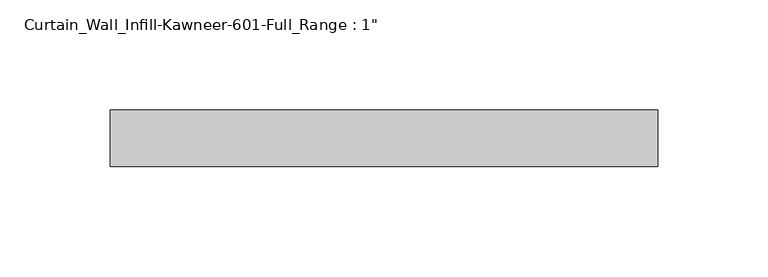
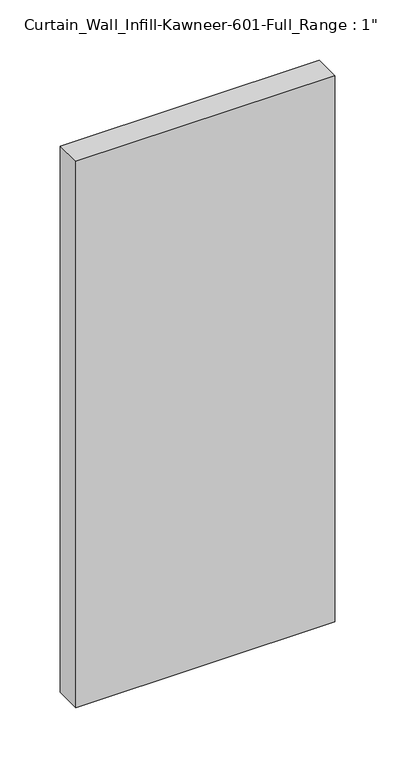
"""IFC4 building model written with IfcOpenShell, lengths in millimetres: plate geometry."""

import ifcopenshell
import ifcopenshell.guid

model = None  # the IFC model being written
_history = None  # IfcOwnerHistory: only IFC2X3 demands one
_inside = {}  # id of a spatial element -> (the spatial element, [elements in it])
_under = {}  # id of a project, library or spatial element -> (it, [spatial elements below it])
_declared = {}  # id of a project -> (the project, [libraries it declares])
_typed = {}  # id of a type object -> (the type object, [elements of that type])
_made_of = {}  # id of a material, layer set ... -> (it, [elements and type objects made of it])


def new_model(schema):
    """Start an empty IFC model of exactly this schema.

    Asked for "IFC4X3", IfcOpenShell would pick the latest addendum, in which some entities
    have other attributes; the version numbers below select the first issue.
    IFC2X3 requires an IfcOwnerHistory on every rooted entity: one is made here for all.
    """
    global model, _history
    if schema == "IFC4X3":
        model = ifcopenshell.file(schema_version=(4, 3, 0, 0))
    else:
        model = ifcopenshell.file(schema=schema)
    _inside.clear()
    _under.clear()
    _declared.clear()
    _typed.clear()
    _made_of.clear()
    _history = None
    if model.schema == "IFC2X3":
        org = make("IfcOrganization", Name="unknown")
        user = make(
            "IfcPersonAndOrganization",
            ThePerson=make("IfcPerson", FamilyName="unknown"),
            TheOrganization=org,
        )
        app = make(
            "IfcApplication",
            ApplicationDeveloper=org,
            Version="unknown",
            ApplicationFullName="unknown",
            ApplicationIdentifier="unknown",
        )
        _history = make(
            "IfcOwnerHistory",
            OwningUser=user,
            OwningApplication=app,
            ChangeAction="ADDED",
            CreationDate=0,
        )
    return model


def make(cls, **values):
    """One entity of the class cls with the attributes given. An attribute that is None is left unset."""
    return model.create_entity(
        cls, **{name: value for name, value in values.items() if value is not None}
    )


def rooted(cls, **values):
    """An entity with a GlobalId (a new one), such as an element, a storey or a relation."""
    return make(cls, GlobalId=ifcopenshell.guid.new(), OwnerHistory=_history, **values)


def si_unit(unit_type, name, prefix=None):
    """IfcSIUnit, for example si_unit("LENGTHUNIT", "METRE", prefix="MILLI")."""
    return make("IfcSIUnit", UnitType=unit_type, Prefix=prefix, Name=name)


def assignment(units):
    """IfcUnitAssignment: the units of a project."""
    return None if units is None else make("IfcUnitAssignment", Units=units)


def point(xyz):
    """IfcCartesianPoint."""
    return None if xyz is None else make("IfcCartesianPoint", Coordinates=xyz)


def direction(xyz):
    """IfcDirection."""
    return None if xyz is None else make("IfcDirection", DirectionRatios=xyz)


def frame(location, z_axis=None, x_axis=None):
    """IfcAxis2Placement3D, a coordinate frame: its origin and axes. An axis left out is left unset."""
    return make(
        "IfcAxis2Placement3D",
        Location=point(location),
        Axis=direction(z_axis),
        RefDirection=direction(x_axis),
    )


def origin():
    """The frame at (0, 0, 0) with its axes left unset."""
    return frame((0.0, 0.0, 0.0))


def origin_with_axes():
    """The frame at (0, 0, 0) with the z axis (0, 0, 1) and the x axis (1, 0, 0) written out."""
    return frame((0.0, 0.0, 0.0), z_axis=(0.0, 0.0, 1.0), x_axis=(1.0, 0.0, 0.0))


def place(relative_to, where):
    """IfcLocalPlacement: puts the frame where relative to a parent placement (None: the world)."""
    return make(
        "IfcLocalPlacement", PlacementRelTo=relative_to, RelativePlacement=where
    )


def context(
    kind, dimensions, precision=None, world=None, true_north=None, identifier=None
):
    """IfcGeometricRepresentationContext, for example the 3D "Model" context."""
    return make(
        "IfcGeometricRepresentationContext",
        ContextIdentifier=identifier,
        ContextType=kind,
        CoordinateSpaceDimension=dimensions,
        Precision=precision,
        WorldCoordinateSystem=world,
        TrueNorth=true_north,
    )


def project(units=None, contexts=None):
    """IfcProject with its units and contexts."""
    return rooted(
        "IfcProject",
        Name="project",
        RepresentationContexts=contexts,
        UnitsInContext=assignment(units),
    )


def spatial(cls, under=None, at=None, **own):
    """A site, building, storey or space (cls), placed at a placement, below another one or the project."""
    s = rooted(cls, ObjectPlacement=at, **own)
    if under is not None:
        _under.setdefault(under.id(), (under, []))[1].append(s)
    return s


def polyline(points):
    """IfcPolyline through the points."""
    return make("IfcPolyline", Points=[point(p) for p in points])


def outline(outer, holes=None, kind="AREA"):
    """IfcArbitraryClosedProfileDef: a profile drawn as a closed curve; with holes, ...WithVoids."""
    if holes is None:
        return make("IfcArbitraryClosedProfileDef", ProfileType=kind, OuterCurve=outer)
    return make(
        "IfcArbitraryProfileDefWithVoids",
        ProfileType=kind,
        OuterCurve=outer,
        InnerCurves=holes,
    )


def extrude(swept, where, along, depth):
    """IfcExtrudedAreaSolid: the profile swept, set in the frame where, extruded along a direction by depth."""
    return make(
        "IfcExtrudedAreaSolid",
        SweptArea=swept,
        Position=where,
        ExtrudedDirection=direction(along),
        Depth=depth,
    )


def shape(context_of_items, identifier, shape_type, items):
    """IfcShapeRepresentation: the items that make up one representation, for example the "Body"."""
    return make(
        "IfcShapeRepresentation",
        ContextOfItems=context_of_items,
        RepresentationIdentifier=identifier,
        RepresentationType=shape_type,
        Items=items,
    )


def source(mapping_origin, context_of_items, identifier, shape_type, items):
    """IfcRepresentationMap: a shape defined once, which mapped items show again and again."""
    return make(
        "IfcRepresentationMap",
        MappingOrigin=mapping_origin,
        MappedRepresentation=shape(context_of_items, identifier, shape_type, items),
    )


def transform(
    local_origin,
    x_axis=None,
    y_axis=None,
    z_axis=None,
    scale=None,
    scale2=None,
    scale3=None,
    uniform=True,
):
    """IfcCartesianTransformationOperator3D, or its non-uniform kind. x_axis, y_axis, z_axis: its Axis1, 2, 3."""
    if uniform:
        return make(
            "IfcCartesianTransformationOperator3D",
            Axis1=direction(x_axis),
            Axis2=direction(y_axis),
            LocalOrigin=point(local_origin),
            Scale=scale,
            Axis3=direction(z_axis),
        )
    return make(
        "IfcCartesianTransformationOperator3DnonUniform",
        Axis1=direction(x_axis),
        Axis2=direction(y_axis),
        LocalOrigin=point(local_origin),
        Scale=scale,
        Axis3=direction(z_axis),
        Scale2=scale2,
        Scale3=scale3,
    )


def mapped(mapping_source, mapping_target):
    """IfcMappedItem: shows the shape of a source again, moved by a transform."""
    return make(
        "IfcMappedItem", MappingSource=mapping_source, MappingTarget=mapping_target
    )


def made_of(thing, what):
    """Note that an element or type object is made of a material, layer set ...; save() writes the relation."""
    if what is not None:
        _made_of.setdefault(what.id(), (what, []))[1].append(thing)
    return thing


def element(
    cls,
    number,
    at=None,
    inside=None,
    cuts=None,
    type_object=None,
    material=None,
    context=None,
    identifier="Body",
    shape_type=None,
    held_by="IfcProductDefinitionShape",
    body=None,
    shapes=None,
    **own,
):
    """One element of the class cls, such as IfcWall. Its Tag is "e" and its number.

    at: its placement. inside: the storey or other place that contains it. cuts: it is an
    opening in that element (IfcRelVoidsElement). A single representation is given by context,
    identifier, shape_type and body (its items); several are given by shapes. held_by: the class
    of the entity that holds the representations. save() writes the other relations.
    """
    e = rooted(cls, Tag="e%d" % number, ObjectPlacement=at, **own)
    if body is not None:
        shapes = [shape(context, identifier, shape_type, body)]
    if shapes is not None:
        e.Representation = make(held_by, Representations=shapes)
    if inside is not None:
        _inside.setdefault(inside.id(), (inside, []))[1].append(e)
    if cuts is not None:
        rooted(
            "IfcRelVoidsElement", RelatingBuildingElement=cuts, RelatedOpeningElement=e
        )
    if type_object is not None:
        _typed.setdefault(type_object.id(), (type_object, []))[1].append(e)
    return made_of(e, material)


def aggregate(whole, parts):
    """IfcRelAggregates: a whole, such as a stair, and the parts it consists of."""
    return rooted("IfcRelAggregates", RelatingObject=whole, RelatedObjects=parts)


def save(model, path):
    """Write the relations noted so far, then the file.

    IfcRelAggregates (storeys below a building ...), IfcRelContainedInSpatialStructure (elements
    in a storey), IfcRelDefinesByType, IfcRelAssociatesMaterial and IfcRelDeclares: one each for
    every whole, place, type object, material and project.
    """
    for whole, parts in _under.values():
        aggregate(whole, parts)
    for where, things in _inside.values():
        rooted(
            "IfcRelContainedInSpatialStructure",
            RelatedElements=things,
            RelatingStructure=where,
        )
    for kind, things in _typed.values():
        rooted("IfcRelDefinesByType", RelatedObjects=things, RelatingType=kind)
    for what, things in _made_of.values():
        rooted("IfcRelAssociatesMaterial", RelatedObjects=things, RelatingMaterial=what)
    for by, libraries in _declared.values():
        rooted("IfcRelDeclares", RelatingContext=by, RelatedDefinitions=libraries)
    model.write(path)


def plate_fd4cc029(model_context):
    return source(origin(), model_context, "Body", "SweptSolid", [
        extrude(outline(polyline([(-123.825, 12.7), (123.825, 12.7), (123.825, -12.7), (-123.825, -12.7), (-123.825, 12.7)])), origin_with_axes(), (0.0, 0.0, 1.0), 552.45),
    ])


if __name__ == "__main__":
    model = new_model("IFC4")
    model_context = context("Model", 3, world=origin())
    ifc_project = project(units=[si_unit("LENGTHUNIT", "METRE", prefix="MILLI")], contexts=[model_context])
    site = spatial("IfcSite", under=ifc_project)
    building = spatial("IfcBuilding", under=site)
    placement = place(None, origin())
    plate_shape = plate_fd4cc029(model_context)
    element("IfcPlate", 1, ObjectType="Curtain_Wall_Infill-Kawneer-601-Full_Range : 1\"", at=placement, inside=building, context=model_context, shape_type="MappedRepresentation", body=[
        mapped(plate_shape, transform((0.0, 0.0, 0.0), x_axis=(1.0, 0.0, 0.0), y_axis=(0.0, 1.0, 0.0), z_axis=(0.0, 0.0, 1.0))),
    ])
    save(model, "model.ifc")
